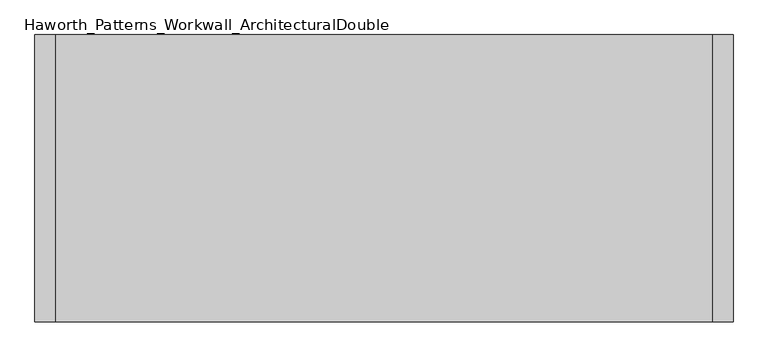
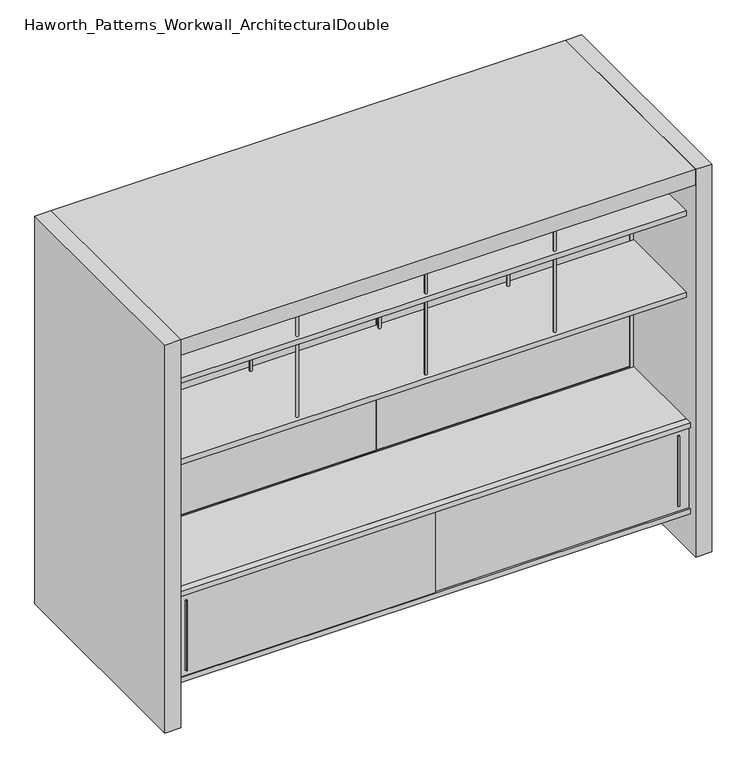
"""IFC4 building model written with IfcOpenShell, lengths in millimetres: furniture geometry, Haworth_Patterns_Workwall_ArchitecturalDouble."""

from ifc_helpers import new_model, si_unit, point, frame, frame_2d, origin, origin_with_axes, place, context, project, spatial, polyline, circle_curve, trimmed, segment, composite_curve, outline, extrude, source, transform, mapped, element, save


def haworth_patterns_workwall_architecturaldouble_d6263151(model_context):
    return source(origin(), model_context, "Body", "SweptSolid", [
        extrude(outline(polyline([(-609.6, 333.375), (-1828.8, 333.375), (-1828.8, 352.425), (-609.6, 352.425), (-609.6, 333.375)])), frame((0.0, 0.0, 635.0), z_axis=(0.0, 0.0, 1.0), x_axis=(1.0, 0.0, 0.0)), (0.0, 0.0, 1.0), 1231.9),
        extrude(outline(polyline([(609.6, 333.375), (-609.6, 333.375), (-609.6, 352.425), (609.6, 352.425), (609.6, 333.375)])), frame((0.0, 0.0, 635.0), z_axis=(0.0, 0.0, 1.0), x_axis=(1.0, 0.0, 0.0)), (0.0, 0.0, 1.0), 1231.9),
        extrude(outline(composite_curve([segment(trimmed(circle_curve(frame_2d((-609.6, -76.2)), 6.35), [point((-615.95, -76.2))], [point((-603.25, -76.2))], False, "CARTESIAN"), True, "CONTINUOUS"), segment(trimmed(circle_curve(frame_2d((-609.6, -76.2)), 6.35), [point((-603.25, -76.2))], [point((-615.95, -76.2))], False, "CARTESIAN"), True, "CONTINUOUS")], self_intersect=False)), frame((0.0, 0.0, 1282.7), z_axis=(0.0, 0.0, 1.0), x_axis=(1.0, 0.0, 0.0)), (0.0, 0.0, 1.0), 381.0),
        extrude(outline(composite_curve([segment(trimmed(circle_curve(frame_2d((-609.6, 304.8)), 6.35), [point((-615.95, 304.8))], [point((-603.25, 304.8))], False, "CARTESIAN"), True, "CONTINUOUS"), segment(trimmed(circle_curve(frame_2d((-609.6, 304.8)), 6.35), [point((-603.25, 304.8))], [point((-615.95, 304.8))], False, "CARTESIAN"), True, "CONTINUOUS")], self_intersect=False)), frame((0.0, 0.0, 1282.7), z_axis=(0.0, 0.0, 1.0), x_axis=(1.0, 0.0, 0.0)), (0.0, 0.0, 1.0), 381.0),
        extrude(outline(composite_curve([segment(trimmed(circle_curve(frame_2d((0.0, -76.2)), 6.35), [point((-6.35, -76.2))], [point((6.35, -76.2))], False, "CARTESIAN"), True, "CONTINUOUS"), segment(trimmed(circle_curve(frame_2d((0.0, -76.2)), 6.35), [point((6.35, -76.2))], [point((-6.35, -76.2))], False, "CARTESIAN"), True, "CONTINUOUS")], self_intersect=False)), frame((0.0, 0.0, 1282.7), z_axis=(0.0, 0.0, 1.0), x_axis=(1.0, 0.0, 0.0)), (0.0, 0.0, 1.0), 381.0),
        extrude(outline(composite_curve([segment(trimmed(circle_curve(frame_2d((0.0, 304.8)), 6.35), [point((-6.35, 304.8))], [point((6.35, 304.8))], False, "CARTESIAN"), True, "CONTINUOUS"), segment(trimmed(circle_curve(frame_2d((0.0, 304.8)), 6.35), [point((6.35, 304.8))], [point((-6.35, 304.8))], False, "CARTESIAN"), True, "CONTINUOUS")], self_intersect=False)), frame((0.0, 0.0, 1282.7), z_axis=(0.0, 0.0, 1.0), x_axis=(1.0, 0.0, 0.0)), (0.0, 0.0, 1.0), 381.0),
        extrude(outline(composite_curve([segment(trimmed(circle_curve(frame_2d((-1219.2, -76.2)), 6.35), [point((-1225.55, -76.2))], [point((-1212.85, -76.2))], False, "CARTESIAN"), True, "CONTINUOUS"), segment(trimmed(circle_curve(frame_2d((-1219.2, -76.2)), 6.35), [point((-1212.85, -76.2))], [point((-1225.55, -76.2))], False, "CARTESIAN"), True, "CONTINUOUS")], self_intersect=False)), frame((0.0, 0.0, 1282.7), z_axis=(0.0, 0.0, 1.0), x_axis=(1.0, 0.0, 0.0)), (0.0, 0.0, 1.0), 381.0),
        extrude(outline(composite_curve([segment(trimmed(circle_curve(frame_2d((-1219.2, 304.8)), 6.35), [point((-1225.55, 304.8))], [point((-1212.85, 304.8))], False, "CARTESIAN"), True, "CONTINUOUS"), segment(trimmed(circle_curve(frame_2d((-1219.2, 304.8)), 6.35), [point((-1212.85, 304.8))], [point((-1225.55, 304.8))], False, "CARTESIAN"), True, "CONTINUOUS")], self_intersect=False)), frame((0.0, 0.0, 1282.7), z_axis=(0.0, 0.0, 1.0), x_axis=(1.0, 0.0, 0.0)), (0.0, 0.0, 1.0), 381.0),
        extrude(outline(polyline([(609.6, 330.2), (609.6, -101.6), (-1828.8, -101.6), (-1828.8, 330.2), (609.6, 330.2)])), frame((0.0, 0.0, 1257.3), z_axis=(0.0, 0.0, 1.0), x_axis=(1.0, 0.0, 0.0)), (0.0, 0.0, 1.0), 25.4),
        extrude(outline(polyline([(561.9750004, -130.1749879), (555.6249996, -130.1749879), (554.0375011, -117.475), (563.5624989, -117.475), (561.9750004, -130.1749879)])), frame((0.0, 0.0, 242.8875), z_axis=(0.0, 0.0, 1.0), x_axis=(1.0, 0.0, 0.0)), (0.0, 0.0, 1.0), 352.425),
        extrude(outline(polyline([(-1774.8249996, -136.5249879), (-1781.1750004, -136.5249879), (-1782.7624989, -123.825), (-1773.2375011, -123.825), (-1774.8249996, -136.5249879)])), frame((0.0, 0.0, 242.8875), z_axis=(0.0, 0.0, 1.0), x_axis=(1.0, 0.0, 0.0)), (0.0, 0.0, 1.0), 352.425),
        extrude(outline(polyline([(609.6, -101.6), (609.6, -133.35), (-1828.8, -133.35), (-1828.8, -101.6), (609.6, -101.6)])), frame((0.0, 0.0, 190.5), z_axis=(0.0, 0.0, 1.0), x_axis=(1.0, 0.0, 0.0)), (0.0, 0.0, 1.0), 25.4),
        extrude(outline(polyline([(609.6, -101.6), (609.6, -133.35), (-1828.8, -133.35), (-1828.8, -101.6), (609.6, -101.6)])), frame((0.0, 0.0, 622.3), z_axis=(0.0, 0.0, 1.0), x_axis=(1.0, 0.0, 0.0)), (0.0, 0.0, 1.0), 25.4),
        extrude(outline(polyline([(-1828.8, -123.825), (-596.9, -123.825), (-596.9, -130.175), (-1828.8, -130.175), (-1828.8, -123.825)])), frame((0.0, 0.0, 215.9), z_axis=(0.0, 0.0, 1.0), x_axis=(1.0, 0.0, 0.0)), (0.0, 0.0, 1.0), 406.4),
        extrude(outline(polyline([(-622.3, -117.475), (609.6, -117.475), (609.6, -123.825), (-622.3, -123.825), (-622.3, -117.475)])), frame((0.0, 0.0, 215.9), z_axis=(0.0, 0.0, 1.0), x_axis=(1.0, 0.0, 0.0)), (0.0, 0.0, 1.0), 406.4),
        extrude(outline(polyline([(-600.075, -101.6), (-619.125, -101.6), (-619.125, 330.2), (-600.075, 330.2), (-600.075, -101.6)])), frame((0.0, 0.0, 215.9), z_axis=(0.0, 0.0, 1.0), x_axis=(1.0, 0.0, 0.0)), (0.0, 0.0, 1.0), 406.4),
        extrude(outline(polyline([(9.525, -101.6), (-9.525, -101.6), (-9.525, 330.2), (9.525, 330.2), (9.525, -101.6)])), frame((0.0, 0.0, 215.9), z_axis=(0.0, 0.0, 1.0), x_axis=(1.0, 0.0, 0.0)), (0.0, 0.0, 1.0), 406.4),
        extrude(outline(polyline([(-1209.675, -101.6), (-1228.725, -101.6), (-1228.725, 330.2), (-1209.675, 330.2), (-1209.675, -101.6)])), frame((0.0, 0.0, 215.9), z_axis=(0.0, 0.0, 1.0), x_axis=(1.0, 0.0, 0.0)), (0.0, 0.0, 1.0), 406.4),
        extrude(outline(polyline([(609.6, 330.2), (609.6, -101.6), (-1828.8, -101.6), (-1828.8, 330.2), (609.6, 330.2)])), frame((0.0, 0.0, 622.3), z_axis=(0.0, 0.0, 1.0), x_axis=(1.0, 0.0, 0.0)), (0.0, 0.0, 1.0), 25.4),
        extrude(outline(polyline([(-101.6, 215.9), (330.2, 215.9), (330.2, 190.5), (123.825, 190.5), (123.825, 0.0), (104.775, 0.0), (104.775, 190.5), (-101.6, 190.5), (-101.6, 215.9)])), frame((-1828.8, 0.0, 0.0), z_axis=(1.0, 0.0, 0.0), x_axis=(0.0, 1.0, 0.0)), (0.0, 0.0, 1.0), 2438.4),
        extrude(outline(composite_curve([segment(trimmed(circle_curve(frame_2d((-609.6, -76.2)), 6.35), [point((-615.95, -76.2))], [point((-603.25, -76.2))], False, "CARTESIAN"), True, "CONTINUOUS"), segment(trimmed(circle_curve(frame_2d((-609.6, -76.2)), 6.35), [point((-603.25, -76.2))], [point((-615.95, -76.2))], False, "CARTESIAN"), True, "CONTINUOUS")], self_intersect=False)), frame((0.0, 0.0, 1689.1), z_axis=(0.0, 0.0, 1.0), x_axis=(1.0, 0.0, 0.0)), (0.0, 0.0, 1.0), 177.8),
        extrude(outline(composite_curve([segment(trimmed(circle_curve(frame_2d((-609.6, 304.8)), 6.35), [point((-615.95, 304.8))], [point((-603.25, 304.8))], False, "CARTESIAN"), True, "CONTINUOUS"), segment(trimmed(circle_curve(frame_2d((-609.6, 304.8)), 6.35), [point((-603.25, 304.8))], [point((-615.95, 304.8))], False, "CARTESIAN"), True, "CONTINUOUS")], self_intersect=False)), frame((0.0, 0.0, 1689.1), z_axis=(0.0, 0.0, 1.0), x_axis=(1.0, 0.0, 0.0)), (0.0, 0.0, 1.0), 177.8),
        extrude(outline(composite_curve([segment(trimmed(circle_curve(frame_2d((0.0, -76.2)), 6.35), [point((-6.35, -76.2))], [point((6.35, -76.2))], False, "CARTESIAN"), True, "CONTINUOUS"), segment(trimmed(circle_curve(frame_2d((0.0, -76.2)), 6.35), [point((6.35, -76.2))], [point((-6.35, -76.2))], False, "CARTESIAN"), True, "CONTINUOUS")], self_intersect=False)), frame((0.0, 0.0, 1689.1), z_axis=(0.0, 0.0, 1.0), x_axis=(1.0, 0.0, 0.0)), (0.0, 0.0, 1.0), 177.8),
        extrude(outline(composite_curve([segment(trimmed(circle_curve(frame_2d((0.0, 304.8)), 6.35), [point((-6.35, 304.8))], [point((6.35, 304.8))], False, "CARTESIAN"), True, "CONTINUOUS"), segment(trimmed(circle_curve(frame_2d((0.0, 304.8)), 6.35), [point((6.35, 304.8))], [point((-6.35, 304.8))], False, "CARTESIAN"), True, "CONTINUOUS")], self_intersect=False)), frame((0.0, 0.0, 1689.1), z_axis=(0.0, 0.0, 1.0), x_axis=(1.0, 0.0, 0.0)), (0.0, 0.0, 1.0), 177.8),
        extrude(outline(composite_curve([segment(trimmed(circle_curve(frame_2d((-1219.2, -76.2)), 6.35), [point((-1225.55, -76.2))], [point((-1212.85, -76.2))], False, "CARTESIAN"), True, "CONTINUOUS"), segment(trimmed(circle_curve(frame_2d((-1219.2, -76.2)), 6.35), [point((-1212.85, -76.2))], [point((-1225.55, -76.2))], False, "CARTESIAN"), True, "CONTINUOUS")], self_intersect=False)), frame((0.0, 0.0, 1689.1), z_axis=(0.0, 0.0, 1.0), x_axis=(1.0, 0.0, 0.0)), (0.0, 0.0, 1.0), 177.8),
        extrude(outline(composite_curve([segment(trimmed(circle_curve(frame_2d((-1219.2, 304.8)), 6.35), [point((-1225.55, 304.8))], [point((-1212.85, 304.8))], False, "CARTESIAN"), True, "CONTINUOUS"), segment(trimmed(circle_curve(frame_2d((-1219.2, 304.8)), 6.35), [point((-1212.85, 304.8))], [point((-1225.55, 304.8))], False, "CARTESIAN"), True, "CONTINUOUS")], self_intersect=False)), frame((0.0, 0.0, 1689.1), z_axis=(0.0, 0.0, 1.0), x_axis=(1.0, 0.0, 0.0)), (0.0, 0.0, 1.0), 177.8),
        extrude(outline(polyline([(609.6, 330.2), (609.6, -101.6), (-1828.8, -101.6), (-1828.8, 330.2), (609.6, 330.2)])), frame((0.0, 0.0, 1663.7), z_axis=(0.0, 0.0, 1.0), x_axis=(1.0, 0.0, 0.0)), (0.0, 0.0, 1.0), 25.4),
        extrude(outline(polyline([(-1828.8, 889.0), (-1828.8, -177.8), (-1905.0, -177.8), (-1905.0, 889.0), (-1828.8, 889.0)])), origin_with_axes(), (0.0, 0.0, 1.0), 1943.1),
        extrude(outline(polyline([(685.8, -177.8), (609.6, -177.8), (609.6, 889.0), (685.8, 889.0), (685.8, -177.8)])), origin_with_axes(), (0.0, 0.0, 1.0), 1943.1),
        extrude(outline(polyline([(1866.9, 609.6), (1866.9, -1828.8), (635.0, -1828.8), (635.0, 609.6), (1866.9, 609.6)]), holes=[polyline([(1847.85, 590.55), (654.05, 590.55), (654.05, -1809.75), (1847.85, -1809.75), (1847.85, 590.55)])]), frame((0.0, 330.2, 0.0), z_axis=(0.0, 1.0, 0.0), x_axis=(0.0, 0.0, 1.0)), (0.0, 0.0, 1.0), 25.4),
        extrude(outline(polyline([(590.55, 330.2), (-1809.75, 330.2), (-1809.75, 355.6), (590.55, 355.6), (590.55, 330.2)])), frame((0.0, 0.0, 114.3), z_axis=(0.0, 0.0, 1.0), x_axis=(1.0, 0.0, 0.0)), (0.0, 0.0, 1.0), 495.3),
        extrude(outline(polyline([(635.0, 609.6), (635.0, -1828.8), (0.0, -1828.8), (0.0, 609.6), (635.0, 609.6)]), holes=[polyline([(609.6, 590.55), (114.3, 590.55), (114.3, -1809.75), (609.6, -1809.75), (609.6, 590.55)])]), frame((0.0, 330.2, 0.0), z_axis=(0.0, 1.0, 0.0), x_axis=(0.0, 0.0, 1.0)), (0.0, 0.0, 1.0), 25.4),
        extrude(outline(polyline([(609.6, -177.8), (-1828.8, -177.8), (-1828.8, 889.0), (609.6, 889.0), (609.6, -177.8)])), frame((0.0, 0.0, 1866.9), z_axis=(0.0, 0.0, 1.0), x_axis=(1.0, 0.0, 0.0)), (0.0, 0.0, 1.0), 76.2),
    ])


if __name__ == "__main__":
    model = new_model("IFC4")
    model_context = context("Model", 3, world=origin())
    ifc_project = project(units=[si_unit("LENGTHUNIT", "METRE", prefix="MILLI")], contexts=[model_context])
    site = spatial("IfcSite", under=ifc_project)
    building = spatial("IfcBuilding", under=site)
    placement = place(None, origin())
    haworth_patterns_workwall_architecturaldouble_shape = haworth_patterns_workwall_architecturaldouble_d6263151(model_context)
    element("IfcFurniture", 1, ObjectType="Haworth_Patterns_Workwall_ArchitecturalDouble", at=placement, inside=building, context=model_context, shape_type="MappedRepresentation", body=[
        mapped(haworth_patterns_workwall_architecturaldouble_shape, transform((0.0, 0.0, 0.0), x_axis=(1.0, 0.0, 0.0), y_axis=(0.0, 1.0, 0.0), z_axis=(0.0, 0.0, 1.0))),
    ])
    save(model, "model.ifc")
